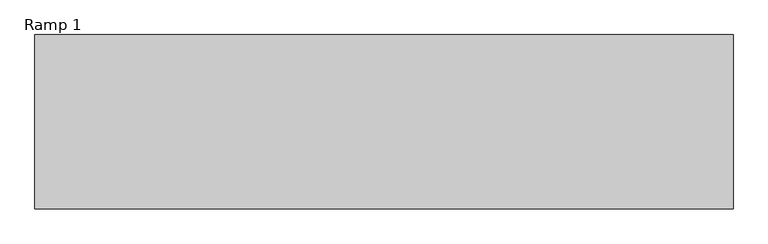
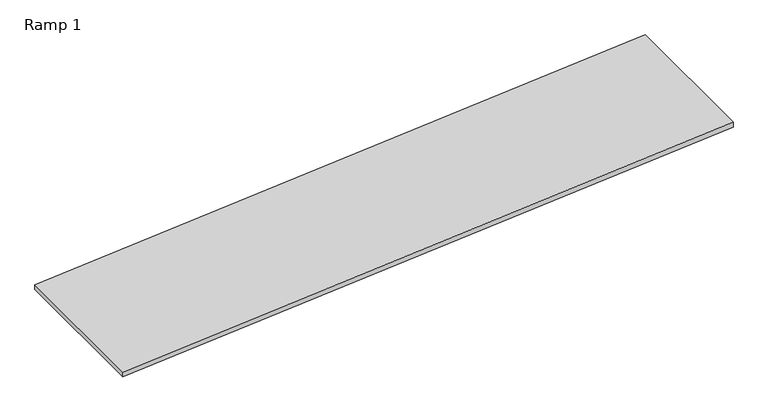
"""IFC4 building model written with IfcOpenShell, lengths in millimetres: ramp geometry, Ramp 1."""

import ifcopenshell
import ifcopenshell.guid

model = None  # the IFC model being written
_history = None  # IfcOwnerHistory: only IFC2X3 demands one
_inside = {}  # id of a spatial element -> (the spatial element, [elements in it])
_under = {}  # id of a project, library or spatial element -> (it, [spatial elements below it])
_declared = {}  # id of a project -> (the project, [libraries it declares])
_typed = {}  # id of a type object -> (the type object, [elements of that type])
_made_of = {}  # id of a material, layer set ... -> (it, [elements and type objects made of it])


def new_model(schema):
    """Start an empty IFC model of exactly this schema.

    Asked for "IFC4X3", IfcOpenShell would pick the latest addendum, in which some entities
    have other attributes; the version numbers below select the first issue.
    IFC2X3 requires an IfcOwnerHistory on every rooted entity: one is made here for all.
    """
    global model, _history
    if schema == "IFC4X3":
        model = ifcopenshell.file(schema_version=(4, 3, 0, 0))
    else:
        model = ifcopenshell.file(schema=schema)
    _inside.clear()
    _under.clear()
    _declared.clear()
    _typed.clear()
    _made_of.clear()
    _history = None
    if model.schema == "IFC2X3":
        org = make("IfcOrganization", Name="unknown")
        user = make(
            "IfcPersonAndOrganization",
            ThePerson=make("IfcPerson", FamilyName="unknown"),
            TheOrganization=org,
        )
        app = make(
            "IfcApplication",
            ApplicationDeveloper=org,
            Version="unknown",
            ApplicationFullName="unknown",
            ApplicationIdentifier="unknown",
        )
        _history = make(
            "IfcOwnerHistory",
            OwningUser=user,
            OwningApplication=app,
            ChangeAction="ADDED",
            CreationDate=0,
        )
    return model


def make(cls, **values):
    """One entity of the class cls with the attributes given. An attribute that is None is left unset."""
    return model.create_entity(
        cls, **{name: value for name, value in values.items() if value is not None}
    )


def rooted(cls, **values):
    """An entity with a GlobalId (a new one), such as an element, a storey or a relation."""
    return make(cls, GlobalId=ifcopenshell.guid.new(), OwnerHistory=_history, **values)


def si_unit(unit_type, name, prefix=None):
    """IfcSIUnit, for example si_unit("LENGTHUNIT", "METRE", prefix="MILLI")."""
    return make("IfcSIUnit", UnitType=unit_type, Prefix=prefix, Name=name)


def assignment(units):
    """IfcUnitAssignment: the units of a project."""
    return None if units is None else make("IfcUnitAssignment", Units=units)


def point(xyz):
    """IfcCartesianPoint."""
    return None if xyz is None else make("IfcCartesianPoint", Coordinates=xyz)


def direction(xyz):
    """IfcDirection."""
    return None if xyz is None else make("IfcDirection", DirectionRatios=xyz)


def frame(location, z_axis=None, x_axis=None):
    """IfcAxis2Placement3D, a coordinate frame: its origin and axes. An axis left out is left unset."""
    return make(
        "IfcAxis2Placement3D",
        Location=point(location),
        Axis=direction(z_axis),
        RefDirection=direction(x_axis),
    )


def origin():
    """The frame at (0, 0, 0) with its axes left unset."""
    return frame((0.0, 0.0, 0.0))


def place(relative_to, where):
    """IfcLocalPlacement: puts the frame where relative to a parent placement (None: the world)."""
    return make(
        "IfcLocalPlacement", PlacementRelTo=relative_to, RelativePlacement=where
    )


def context(
    kind, dimensions, precision=None, world=None, true_north=None, identifier=None
):
    """IfcGeometricRepresentationContext, for example the 3D "Model" context."""
    return make(
        "IfcGeometricRepresentationContext",
        ContextIdentifier=identifier,
        ContextType=kind,
        CoordinateSpaceDimension=dimensions,
        Precision=precision,
        WorldCoordinateSystem=world,
        TrueNorth=true_north,
    )


def project(units=None, contexts=None):
    """IfcProject with its units and contexts."""
    return rooted(
        "IfcProject",
        Name="project",
        RepresentationContexts=contexts,
        UnitsInContext=assignment(units),
    )


def spatial(cls, under=None, at=None, **own):
    """A site, building, storey or space (cls), placed at a placement, below another one or the project."""
    s = rooted(cls, ObjectPlacement=at, **own)
    if under is not None:
        _under.setdefault(under.id(), (under, []))[1].append(s)
    return s


def polyline(points):
    """IfcPolyline through the points."""
    return make("IfcPolyline", Points=[point(p) for p in points])


def outline(outer, holes=None, kind="AREA"):
    """IfcArbitraryClosedProfileDef: a profile drawn as a closed curve; with holes, ...WithVoids."""
    if holes is None:
        return make("IfcArbitraryClosedProfileDef", ProfileType=kind, OuterCurve=outer)
    return make(
        "IfcArbitraryProfileDefWithVoids",
        ProfileType=kind,
        OuterCurve=outer,
        InnerCurves=holes,
    )


def extrude(swept, where, along, depth):
    """IfcExtrudedAreaSolid: the profile swept, set in the frame where, extruded along a direction by depth."""
    return make(
        "IfcExtrudedAreaSolid",
        SweptArea=swept,
        Position=where,
        ExtrudedDirection=direction(along),
        Depth=depth,
    )


def shape(context_of_items, identifier, shape_type, items):
    """IfcShapeRepresentation: the items that make up one representation, for example the "Body"."""
    return make(
        "IfcShapeRepresentation",
        ContextOfItems=context_of_items,
        RepresentationIdentifier=identifier,
        RepresentationType=shape_type,
        Items=items,
    )


def source(mapping_origin, context_of_items, identifier, shape_type, items):
    """IfcRepresentationMap: a shape defined once, which mapped items show again and again."""
    return make(
        "IfcRepresentationMap",
        MappingOrigin=mapping_origin,
        MappedRepresentation=shape(context_of_items, identifier, shape_type, items),
    )


def transform(
    local_origin,
    x_axis=None,
    y_axis=None,
    z_axis=None,
    scale=None,
    scale2=None,
    scale3=None,
    uniform=True,
):
    """IfcCartesianTransformationOperator3D, or its non-uniform kind. x_axis, y_axis, z_axis: its Axis1, 2, 3."""
    if uniform:
        return make(
            "IfcCartesianTransformationOperator3D",
            Axis1=direction(x_axis),
            Axis2=direction(y_axis),
            LocalOrigin=point(local_origin),
            Scale=scale,
            Axis3=direction(z_axis),
        )
    return make(
        "IfcCartesianTransformationOperator3DnonUniform",
        Axis1=direction(x_axis),
        Axis2=direction(y_axis),
        LocalOrigin=point(local_origin),
        Scale=scale,
        Axis3=direction(z_axis),
        Scale2=scale2,
        Scale3=scale3,
    )


def mapped(mapping_source, mapping_target):
    """IfcMappedItem: shows the shape of a source again, moved by a transform."""
    return make(
        "IfcMappedItem", MappingSource=mapping_source, MappingTarget=mapping_target
    )


def made_of(thing, what):
    """Note that an element or type object is made of a material, layer set ...; save() writes the relation."""
    if what is not None:
        _made_of.setdefault(what.id(), (what, []))[1].append(thing)
    return thing


def element(
    cls,
    number,
    at=None,
    inside=None,
    cuts=None,
    type_object=None,
    material=None,
    context=None,
    identifier="Body",
    shape_type=None,
    held_by="IfcProductDefinitionShape",
    body=None,
    shapes=None,
    **own,
):
    """One element of the class cls, such as IfcWall. Its Tag is "e" and its number.

    at: its placement. inside: the storey or other place that contains it. cuts: it is an
    opening in that element (IfcRelVoidsElement). A single representation is given by context,
    identifier, shape_type and body (its items); several are given by shapes. held_by: the class
    of the entity that holds the representations. save() writes the other relations.
    """
    e = rooted(cls, Tag="e%d" % number, ObjectPlacement=at, **own)
    if body is not None:
        shapes = [shape(context, identifier, shape_type, body)]
    if shapes is not None:
        e.Representation = make(held_by, Representations=shapes)
    if inside is not None:
        _inside.setdefault(inside.id(), (inside, []))[1].append(e)
    if cuts is not None:
        rooted(
            "IfcRelVoidsElement", RelatingBuildingElement=cuts, RelatedOpeningElement=e
        )
    if type_object is not None:
        _typed.setdefault(type_object.id(), (type_object, []))[1].append(e)
    return made_of(e, material)


def aggregate(whole, parts):
    """IfcRelAggregates: a whole, such as a stair, and the parts it consists of."""
    return rooted("IfcRelAggregates", RelatingObject=whole, RelatedObjects=parts)


def save(model, path):
    """Write the relations noted so far, then the file.

    IfcRelAggregates (storeys below a building ...), IfcRelContainedInSpatialStructure (elements
    in a storey), IfcRelDefinesByType, IfcRelAssociatesMaterial and IfcRelDeclares: one each for
    every whole, place, type object, material and project.
    """
    for whole, parts in _under.values():
        aggregate(whole, parts)
    for where, things in _inside.values():
        rooted(
            "IfcRelContainedInSpatialStructure",
            RelatedElements=things,
            RelatingStructure=where,
        )
    for kind, things in _typed.values():
        rooted("IfcRelDefinesByType", RelatedObjects=things, RelatingType=kind)
    for what, things in _made_of.values():
        rooted("IfcRelAssociatesMaterial", RelatedObjects=things, RelatingMaterial=what)
    for by, libraries in _declared.values():
        rooted("IfcRelDeclares", RelatingContext=by, RelatedDefinitions=libraries)
    model.write(path)


def ramp_1_51b7dcea(model_context):
    return source(origin(), model_context, "Body", "SweptSolid", [
        extrude(outline(polyline([(762.0, 5779.352216), (0.0, -3364.647784), (-76.4641256, -3364.647784), (685.5358744, 5779.352216), (762.0, 5779.352216)])), frame((0.0, -6273.1403667, 0.0), z_axis=(0.0, 1.0, 0.0), x_axis=(0.0, 0.0, 1.0)), (0.0, 0.0, 1.0), 2286.0),
    ])


if __name__ == "__main__":
    model = new_model("IFC4")
    model_context = context("Model", 3, world=origin())
    ifc_project = project(units=[si_unit("LENGTHUNIT", "METRE", prefix="MILLI")], contexts=[model_context])
    site = spatial("IfcSite", under=ifc_project)
    building = spatial("IfcBuilding", under=site)
    placement = place(None, origin())
    ramp_1_shape = ramp_1_51b7dcea(model_context)
    element("IfcRamp", 1, ObjectType="Ramp 1", at=placement, inside=building, context=model_context, shape_type="MappedRepresentation", body=[
        mapped(ramp_1_shape, transform((0.0, 0.0, 0.0), x_axis=(1.0, 0.0, 0.0), y_axis=(0.0, 1.0, 0.0), z_axis=(0.0, 0.0, 1.0))),
    ])
    save(model, "model.ifc")
